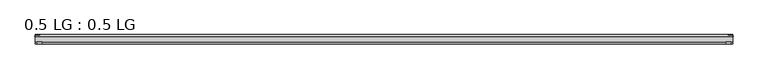
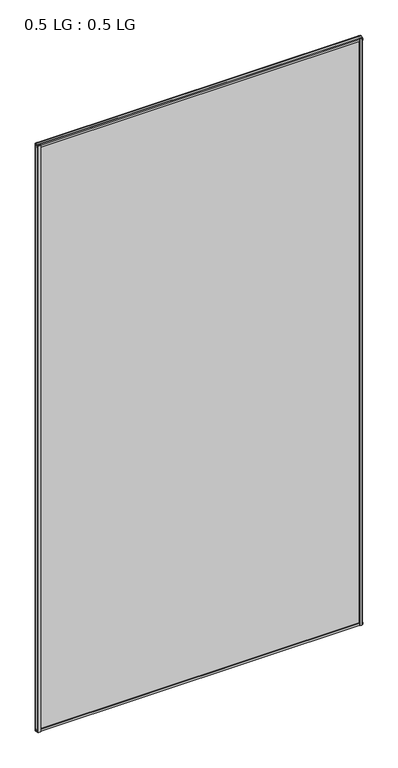
"""IFC4 building model written with IfcOpenShell, lengths in millimetres: plate geometry, 0.5 LG : 0.5 LG."""

from ifc_helpers import new_model, si_unit, frame, origin, origin_with_axes, place, context, project, spatial, polyline, outline, extrude, source, transform, mapped, element, save


def plate_0_5_lg_0_5_lg_e829561c(model_context):
    return source(origin(), model_context, "Body", "SweptSolid", [
        extrude(outline(polyline([(-843.2139513, 16.9767247), (-844.4235412, 21.828125), (-830.8660345, 21.828125), (-832.0756244, 16.9767247), (-843.2139513, 16.9767247)])), origin_with_axes(), (0.0, 0.0, 1.0), 3231.815031),
        extrude(outline(polyline([(-848.6599387, 34.680525), (-847.4221258, 39.4557249), (-836.3096173, 39.4557249), (-835.0958142, 34.680525), (-848.6599387, 34.680525)])), origin_with_axes(), (0.0, 0.0, 1.0), 3231.815031),
        extrude(outline(polyline([(843.2139513, 16.9767247), (832.0756244, 16.9767247), (830.8660345, 21.828125), (844.4235412, 21.828125), (843.2139513, 16.9767247)])), origin_with_axes(), (0.0, 0.0, 1.0), 3231.815031),
        extrude(outline(polyline([(848.6599387, 34.680525), (835.0958142, 34.680525), (836.3096173, 39.4557249), (847.4221258, 39.4557249), (848.6599387, 34.680525)])), origin_with_axes(), (0.0, 0.0, 1.0), 3231.815031),
        extrude(outline(polyline([(39.4569539, 11.124921), (39.4569539, 0.0005878), (34.680525, -1.2138382), (34.680525, 12.3392211), (39.4569539, 11.124921)])), frame((-847.4221258, 0.0, 0.0), z_axis=(1.0, 0.0, 0.0), x_axis=(0.0, 1.0, 0.0)), (0.0, 0.0, 1.0), 1694.8442516),
        extrude(outline(polyline([(16.9767101, 13.8303088), (21.828125, 15.0636853), (21.828125, 1.4714303), (16.9767101, 2.704584), (16.9767101, 13.8303088)])), frame((-847.4221258, 0.0, 0.0), z_axis=(1.0, 0.0, 0.0), x_axis=(0.0, 1.0, 0.0)), (0.0, 0.0, 1.0), 1694.8442516),
        extrude(outline(polyline([(39.4569539, 3220.69011), (34.680525, 3219.4758099), (34.680525, 3233.0288692), (39.4569539, 3231.8144432), (39.4569539, 3220.69011)])), frame((-847.4221258, 0.0, 0.0), z_axis=(1.0, 0.0, 0.0), x_axis=(0.0, 1.0, 0.0)), (0.0, 0.0, 1.0), 1694.8442516),
        extrude(outline(polyline([(16.9767101, 3217.9847222), (16.9767101, 3229.110447), (21.828125, 3230.3436007), (21.828125, 3216.7513457), (16.9767101, 3217.9847222)])), frame((-847.4221258, 0.0, 0.0), z_axis=(1.0, 0.0, 0.0), x_axis=(0.0, 1.0, 0.0)), (0.0, 0.0, 1.0), 1694.8442516),
        extrude(outline(polyline([(847.4221258, 34.680525), (847.4221258, 21.828125), (-847.4221258, 21.828125), (-847.4221258, 34.680525), (847.4221258, 34.680525)])), origin_with_axes(), (0.0, 0.0, 1.0), 3231.815031),
    ])


if __name__ == "__main__":
    model = new_model("IFC4")
    model_context = context("Model", 3, world=origin())
    ifc_project = project(units=[si_unit("LENGTHUNIT", "METRE", prefix="MILLI")], contexts=[model_context])
    site = spatial("IfcSite", under=ifc_project)
    building = spatial("IfcBuilding", under=site)
    placement = place(None, origin())
    plate_0_5_lg_0_5_lg_shape = plate_0_5_lg_0_5_lg_e829561c(model_context)
    element("IfcPlate", 1, ObjectType="0.5 LG : 0.5 LG", at=placement, inside=building, context=model_context, shape_type="MappedRepresentation", body=[
        mapped(plate_0_5_lg_0_5_lg_shape, transform((0.0, 0.0, 0.0), x_axis=(1.0, 0.0, 0.0), y_axis=(0.0, 1.0, 0.0), z_axis=(0.0, 0.0, 1.0))),
    ])
    save(model, "model.ifc")
